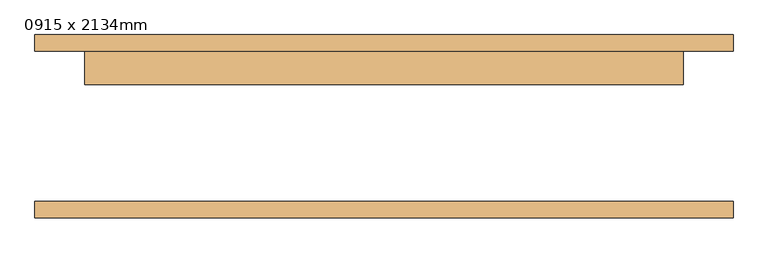
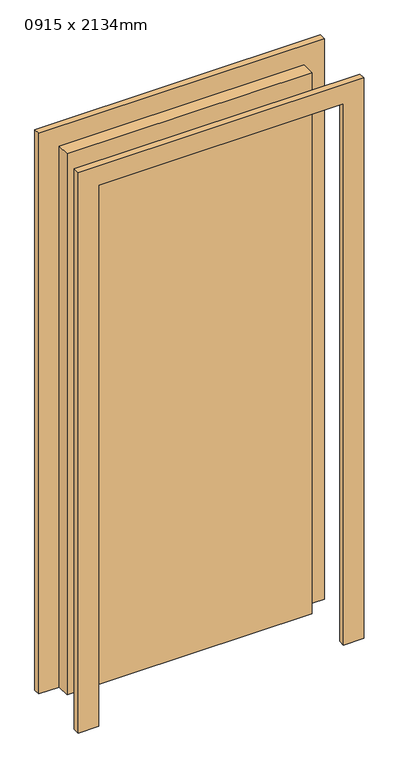
"""IFC4 building model written with IfcOpenShell, lengths in millimetres: door geometry, 0915 x 2134mm."""

from ifc_helpers import new_model, si_unit, frame, origin, origin_with_axes, place, context, project, spatial, polyline, outline, extrude, source, transform, mapped, element, save


def door_0915_x_2134mm_55ffbb56(model_context):
    return source(origin(), model_context, "Body", "SweptSolid", [
        extrude(outline(polyline([(2210.0, -533.5), (0.0, -533.5), (0.0, -457.5), (2134.0, -457.5), (2134.0, 457.5), (0.0, 457.5), (0.0, 533.5), (2210.0, 533.5), (2210.0, -533.5)])), frame((0.0, 115.0, 0.0), z_axis=(0.0, 1.0, 0.0), x_axis=(0.0, 0.0, 1.0)), (0.0, 0.0, 1.0), 25.0),
        extrude(outline(polyline([(2210.0, 533.5), (2210.0, -533.5), (0.0, -533.5), (0.0, -457.5), (2134.0, -457.5), (2134.0, 457.5), (0.0, 457.5), (0.0, 533.5), (2210.0, 533.5)])), frame((0.0, -140.0, 0.0), z_axis=(0.0, 1.0, 0.0), x_axis=(0.0, 0.0, 1.0)), (0.0, 0.0, 1.0), 25.0),
        extrude(outline(polyline([(457.5, 64.0), (-457.5, 64.0), (-457.5, 115.0), (457.5, 115.0), (457.5, 64.0)])), origin_with_axes(), (0.0, 0.0, 1.0), 2134.0),
    ])


if __name__ == "__main__":
    model = new_model("IFC4")
    model_context = context("Model", 3, world=origin())
    ifc_project = project(units=[si_unit("LENGTHUNIT", "METRE", prefix="MILLI")], contexts=[model_context])
    site = spatial("IfcSite", under=ifc_project)
    building = spatial("IfcBuilding", under=site)
    placement = place(None, origin())
    door_0915_x_2134mm_shape = door_0915_x_2134mm_55ffbb56(model_context)
    element("IfcDoor", 1, ObjectType="0915 x 2134mm", at=placement, inside=building, context=model_context, shape_type="MappedRepresentation", body=[
        mapped(door_0915_x_2134mm_shape, transform((0.0, 0.0, 0.0), x_axis=(1.0, 0.0, 0.0), y_axis=(0.0, 1.0, 0.0), z_axis=(0.0, 0.0, 1.0))),
    ])
    save(model, "model.ifc")
